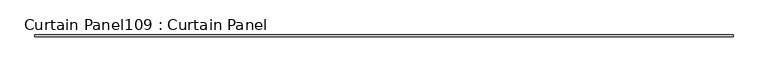
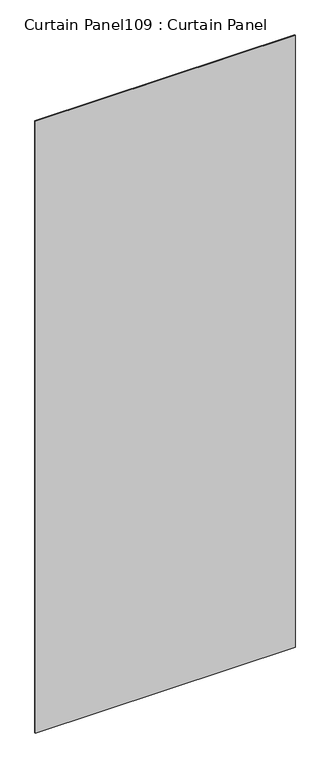
"""IFC4 building model written with IfcOpenShell, lengths in millimetres: plate geometry, Curtain Panel109 : Curtain Panel."""

from ifc_helpers import new_model, si_unit, frame, origin, place, context, project, spatial, polyline, outline, extrude, source, transform, mapped, element, save


def curtain_panel109_curtain_panel_3ce8df49(model_context):
    return source(origin(), model_context, "Body", "SweptSolid", [
        extrude(outline(polyline([(241685.7901593, 2350.9484836), (239204.1386393, 2350.9484836), (239204.1386393, 2357.2984836), (241685.7901593, 2357.2984836), (241685.7901593, 2350.9484836)])), frame((0.0, 0.0, 4914.2249337), z_axis=(0.0, 0.0, 1.0), x_axis=(1.0, 0.0, 0.0)), (0.0, 0.0, 1.0), 6180.2087064),
    ])


if __name__ == "__main__":
    model = new_model("IFC4")
    model_context = context("Model", 3, world=origin())
    ifc_project = project(units=[si_unit("LENGTHUNIT", "METRE", prefix="MILLI")], contexts=[model_context])
    site = spatial("IfcSite", under=ifc_project)
    building = spatial("IfcBuilding", under=site)
    placement = place(None, origin())
    curtain_panel109_curtain_panel_shape = curtain_panel109_curtain_panel_3ce8df49(model_context)
    element("IfcPlate", 1, ObjectType="Curtain Panel109 : Curtain Panel", at=placement, inside=building, context=model_context, shape_type="MappedRepresentation", body=[
        mapped(curtain_panel109_curtain_panel_shape, transform((0.0, 0.0, 0.0), x_axis=(1.0, 0.0, 0.0), y_axis=(0.0, 1.0, 0.0), z_axis=(0.0, 0.0, 1.0))),
    ])
    save(model, "model.ifc")
